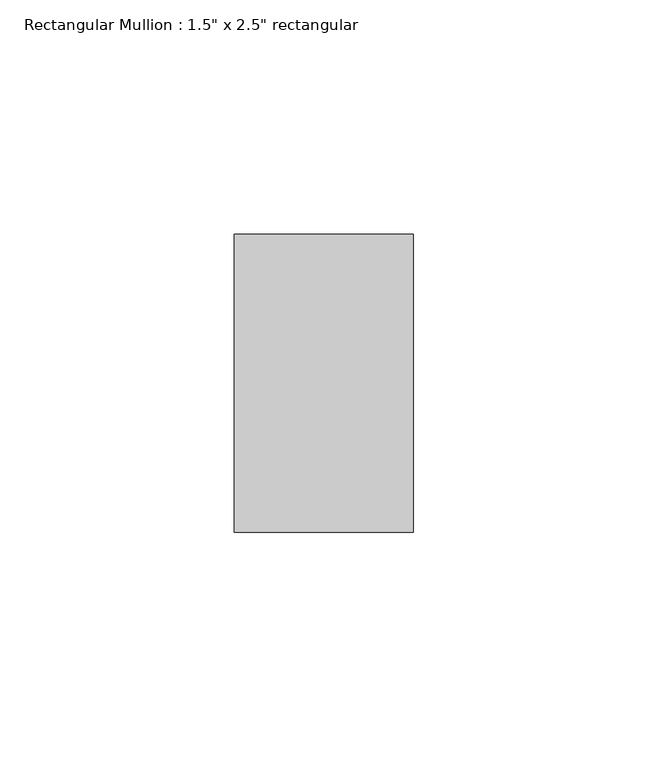
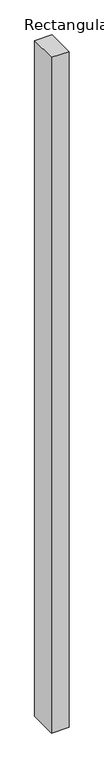
"""IFC4 building model written with IfcOpenShell, lengths in millimetres: member geometry."""

from ifc_helpers import new_model, si_unit, frame, origin, place, context, project, spatial, polyline, outline, extrude, source, transform, mapped, element, save


def member_c184f437(model_context):
    return source(origin(), model_context, "Body", "SweptSolid", [
        extrude(outline(polyline([(19.05, -19.05), (19.05, -82.55), (-19.05, -82.55), (-19.05, -19.05), (19.05, -19.05)])), frame((0.0, 0.0, -1555.75), z_axis=(0.0, 0.0, 1.0), x_axis=(1.0, 0.0, 0.0)), (0.0, 0.0, 1.0), 1555.75),
    ])


if __name__ == "__main__":
    model = new_model("IFC4")
    model_context = context("Model", 3, world=origin())
    ifc_project = project(units=[si_unit("LENGTHUNIT", "METRE", prefix="MILLI")], contexts=[model_context])
    site = spatial("IfcSite", under=ifc_project)
    building = spatial("IfcBuilding", under=site)
    placement = place(None, origin())
    member_shape = member_c184f437(model_context)
    element("IfcMember", 1, ObjectType="Rectangular Mullion : 1.5\" x 2.5\" rectangular", at=placement, inside=building, context=model_context, shape_type="MappedRepresentation", body=[
        mapped(member_shape, transform((0.0, 0.0, 0.0), x_axis=(1.0, 0.0, 0.0), y_axis=(0.0, 1.0, 0.0), z_axis=(0.0, 0.0, 1.0))),
    ])
    save(model, "model.ifc")
